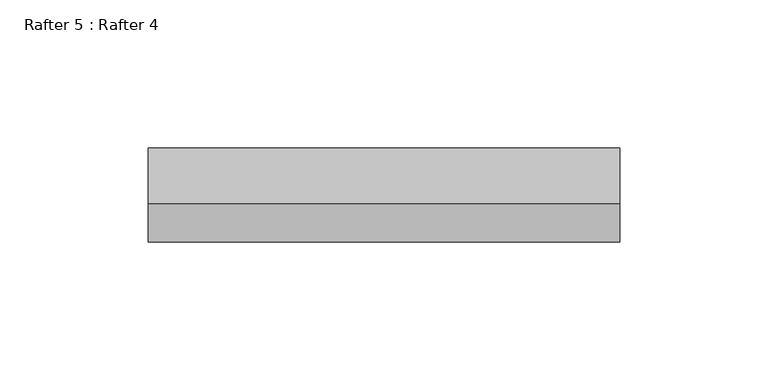
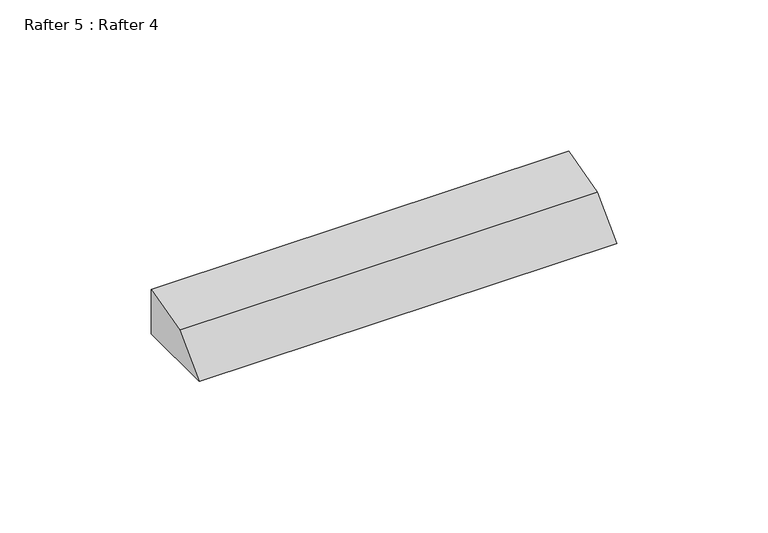
"""IFC4 building model written with IfcOpenShell, lengths in millimetres: proxy geometry, Rafter 5 : Rafter 4."""

import ifcopenshell
import ifcopenshell.guid

model = None  # the IFC model being written
_history = None  # IfcOwnerHistory: only IFC2X3 demands one
_inside = {}  # id of a spatial element -> (the spatial element, [elements in it])
_under = {}  # id of a project, library or spatial element -> (it, [spatial elements below it])
_declared = {}  # id of a project -> (the project, [libraries it declares])
_typed = {}  # id of a type object -> (the type object, [elements of that type])
_made_of = {}  # id of a material, layer set ... -> (it, [elements and type objects made of it])


def new_model(schema):
    """Start an empty IFC model of exactly this schema.

    Asked for "IFC4X3", IfcOpenShell would pick the latest addendum, in which some entities
    have other attributes; the version numbers below select the first issue.
    IFC2X3 requires an IfcOwnerHistory on every rooted entity: one is made here for all.
    """
    global model, _history
    if schema == "IFC4X3":
        model = ifcopenshell.file(schema_version=(4, 3, 0, 0))
    else:
        model = ifcopenshell.file(schema=schema)
    _inside.clear()
    _under.clear()
    _declared.clear()
    _typed.clear()
    _made_of.clear()
    _history = None
    if model.schema == "IFC2X3":
        org = make("IfcOrganization", Name="unknown")
        user = make(
            "IfcPersonAndOrganization",
            ThePerson=make("IfcPerson", FamilyName="unknown"),
            TheOrganization=org,
        )
        app = make(
            "IfcApplication",
            ApplicationDeveloper=org,
            Version="unknown",
            ApplicationFullName="unknown",
            ApplicationIdentifier="unknown",
        )
        _history = make(
            "IfcOwnerHistory",
            OwningUser=user,
            OwningApplication=app,
            ChangeAction="ADDED",
            CreationDate=0,
        )
    return model


def make(cls, **values):
    """One entity of the class cls with the attributes given. An attribute that is None is left unset."""
    return model.create_entity(
        cls, **{name: value for name, value in values.items() if value is not None}
    )


def rooted(cls, **values):
    """An entity with a GlobalId (a new one), such as an element, a storey or a relation."""
    return make(cls, GlobalId=ifcopenshell.guid.new(), OwnerHistory=_history, **values)


def si_unit(unit_type, name, prefix=None):
    """IfcSIUnit, for example si_unit("LENGTHUNIT", "METRE", prefix="MILLI")."""
    return make("IfcSIUnit", UnitType=unit_type, Prefix=prefix, Name=name)


def assignment(units):
    """IfcUnitAssignment: the units of a project."""
    return None if units is None else make("IfcUnitAssignment", Units=units)


def point(xyz):
    """IfcCartesianPoint."""
    return None if xyz is None else make("IfcCartesianPoint", Coordinates=xyz)


def direction(xyz):
    """IfcDirection."""
    return None if xyz is None else make("IfcDirection", DirectionRatios=xyz)


def frame(location, z_axis=None, x_axis=None):
    """IfcAxis2Placement3D, a coordinate frame: its origin and axes. An axis left out is left unset."""
    return make(
        "IfcAxis2Placement3D",
        Location=point(location),
        Axis=direction(z_axis),
        RefDirection=direction(x_axis),
    )


def origin():
    """The frame at (0, 0, 0) with its axes left unset."""
    return frame((0.0, 0.0, 0.0))


def place(relative_to, where):
    """IfcLocalPlacement: puts the frame where relative to a parent placement (None: the world)."""
    return make(
        "IfcLocalPlacement", PlacementRelTo=relative_to, RelativePlacement=where
    )


def context(
    kind, dimensions, precision=None, world=None, true_north=None, identifier=None
):
    """IfcGeometricRepresentationContext, for example the 3D "Model" context."""
    return make(
        "IfcGeometricRepresentationContext",
        ContextIdentifier=identifier,
        ContextType=kind,
        CoordinateSpaceDimension=dimensions,
        Precision=precision,
        WorldCoordinateSystem=world,
        TrueNorth=true_north,
    )


def project(units=None, contexts=None):
    """IfcProject with its units and contexts."""
    return rooted(
        "IfcProject",
        Name="project",
        RepresentationContexts=contexts,
        UnitsInContext=assignment(units),
    )


def spatial(cls, under=None, at=None, **own):
    """A site, building, storey or space (cls), placed at a placement, below another one or the project."""
    s = rooted(cls, ObjectPlacement=at, **own)
    if under is not None:
        _under.setdefault(under.id(), (under, []))[1].append(s)
    return s


def polyline(points):
    """IfcPolyline through the points."""
    return make("IfcPolyline", Points=[point(p) for p in points])


def outline(outer, holes=None, kind="AREA"):
    """IfcArbitraryClosedProfileDef: a profile drawn as a closed curve; with holes, ...WithVoids."""
    if holes is None:
        return make("IfcArbitraryClosedProfileDef", ProfileType=kind, OuterCurve=outer)
    return make(
        "IfcArbitraryProfileDefWithVoids",
        ProfileType=kind,
        OuterCurve=outer,
        InnerCurves=holes,
    )


def extrude(swept, where, along, depth):
    """IfcExtrudedAreaSolid: the profile swept, set in the frame where, extruded along a direction by depth."""
    return make(
        "IfcExtrudedAreaSolid",
        SweptArea=swept,
        Position=where,
        ExtrudedDirection=direction(along),
        Depth=depth,
    )


def shape(context_of_items, identifier, shape_type, items):
    """IfcShapeRepresentation: the items that make up one representation, for example the "Body"."""
    return make(
        "IfcShapeRepresentation",
        ContextOfItems=context_of_items,
        RepresentationIdentifier=identifier,
        RepresentationType=shape_type,
        Items=items,
    )


def source(mapping_origin, context_of_items, identifier, shape_type, items):
    """IfcRepresentationMap: a shape defined once, which mapped items show again and again."""
    return make(
        "IfcRepresentationMap",
        MappingOrigin=mapping_origin,
        MappedRepresentation=shape(context_of_items, identifier, shape_type, items),
    )


def transform(
    local_origin,
    x_axis=None,
    y_axis=None,
    z_axis=None,
    scale=None,
    scale2=None,
    scale3=None,
    uniform=True,
):
    """IfcCartesianTransformationOperator3D, or its non-uniform kind. x_axis, y_axis, z_axis: its Axis1, 2, 3."""
    if uniform:
        return make(
            "IfcCartesianTransformationOperator3D",
            Axis1=direction(x_axis),
            Axis2=direction(y_axis),
            LocalOrigin=point(local_origin),
            Scale=scale,
            Axis3=direction(z_axis),
        )
    return make(
        "IfcCartesianTransformationOperator3DnonUniform",
        Axis1=direction(x_axis),
        Axis2=direction(y_axis),
        LocalOrigin=point(local_origin),
        Scale=scale,
        Axis3=direction(z_axis),
        Scale2=scale2,
        Scale3=scale3,
    )


def mapped(mapping_source, mapping_target):
    """IfcMappedItem: shows the shape of a source again, moved by a transform."""
    return make(
        "IfcMappedItem", MappingSource=mapping_source, MappingTarget=mapping_target
    )


def made_of(thing, what):
    """Note that an element or type object is made of a material, layer set ...; save() writes the relation."""
    if what is not None:
        _made_of.setdefault(what.id(), (what, []))[1].append(thing)
    return thing


def element(
    cls,
    number,
    at=None,
    inside=None,
    cuts=None,
    type_object=None,
    material=None,
    context=None,
    identifier="Body",
    shape_type=None,
    held_by="IfcProductDefinitionShape",
    body=None,
    shapes=None,
    **own,
):
    """One element of the class cls, such as IfcWall. Its Tag is "e" and its number.

    at: its placement. inside: the storey or other place that contains it. cuts: it is an
    opening in that element (IfcRelVoidsElement). A single representation is given by context,
    identifier, shape_type and body (its items); several are given by shapes. held_by: the class
    of the entity that holds the representations. save() writes the other relations.
    """
    e = rooted(cls, Tag="e%d" % number, ObjectPlacement=at, **own)
    if body is not None:
        shapes = [shape(context, identifier, shape_type, body)]
    if shapes is not None:
        e.Representation = make(held_by, Representations=shapes)
    if inside is not None:
        _inside.setdefault(inside.id(), (inside, []))[1].append(e)
    if cuts is not None:
        rooted(
            "IfcRelVoidsElement", RelatingBuildingElement=cuts, RelatedOpeningElement=e
        )
    if type_object is not None:
        _typed.setdefault(type_object.id(), (type_object, []))[1].append(e)
    return made_of(e, material)


def aggregate(whole, parts):
    """IfcRelAggregates: a whole, such as a stair, and the parts it consists of."""
    return rooted("IfcRelAggregates", RelatingObject=whole, RelatedObjects=parts)


def save(model, path):
    """Write the relations noted so far, then the file.

    IfcRelAggregates (storeys below a building ...), IfcRelContainedInSpatialStructure (elements
    in a storey), IfcRelDefinesByType, IfcRelAssociatesMaterial and IfcRelDeclares: one each for
    every whole, place, type object, material and project.
    """
    for whole, parts in _under.values():
        aggregate(whole, parts)
    for where, things in _inside.values():
        rooted(
            "IfcRelContainedInSpatialStructure",
            RelatedElements=things,
            RelatingStructure=where,
        )
    for kind, things in _typed.values():
        rooted("IfcRelDefinesByType", RelatedObjects=things, RelatingType=kind)
    for what, things in _made_of.values():
        rooted("IfcRelAssociatesMaterial", RelatedObjects=things, RelatingMaterial=what)
    for by, libraries in _declared.values():
        rooted("IfcRelDeclares", RelatingContext=by, RelatedDefinitions=libraries)
    model.write(path)


def rafter_5_rafter_4_a962a276(model_context):
    return source(origin(), model_context, "Body", "SweptSolid", [
        extrude(outline(polyline([(3514.5130824, 2287.6461416), (3514.5130824, 2269.6732585), (3482.7630824, 2269.6732585), (3495.6931907, 2282.6033668), (3514.5130824, 2287.6461416)])), frame((-5244.4649704, 0.0, 0.0), z_axis=(1.0, 0.0, 0.0), x_axis=(0.0, 1.0, 0.0)), (0.0, 0.0, 1.0), 159.131),
    ])


if __name__ == "__main__":
    model = new_model("IFC4")
    model_context = context("Model", 3, world=origin())
    ifc_project = project(units=[si_unit("LENGTHUNIT", "METRE", prefix="MILLI")], contexts=[model_context])
    site = spatial("IfcSite", under=ifc_project)
    building = spatial("IfcBuilding", under=site)
    placement = place(None, origin())
    rafter_5_rafter_4_shape = rafter_5_rafter_4_a962a276(model_context)
    element("IfcBuildingElementProxy", 1, Name="Rafter 5 : Rafter 4", ObjectType="Rafter 5 : Rafter 4", at=placement, inside=building, context=model_context, shape_type="MappedRepresentation", body=[
        mapped(rafter_5_rafter_4_shape, transform((0.0, 0.0, 0.0), x_axis=(1.0, 0.0, 0.0), y_axis=(0.0, 1.0, 0.0), z_axis=(0.0, 0.0, 1.0))),
    ])
    save(model, "model.ifc")
